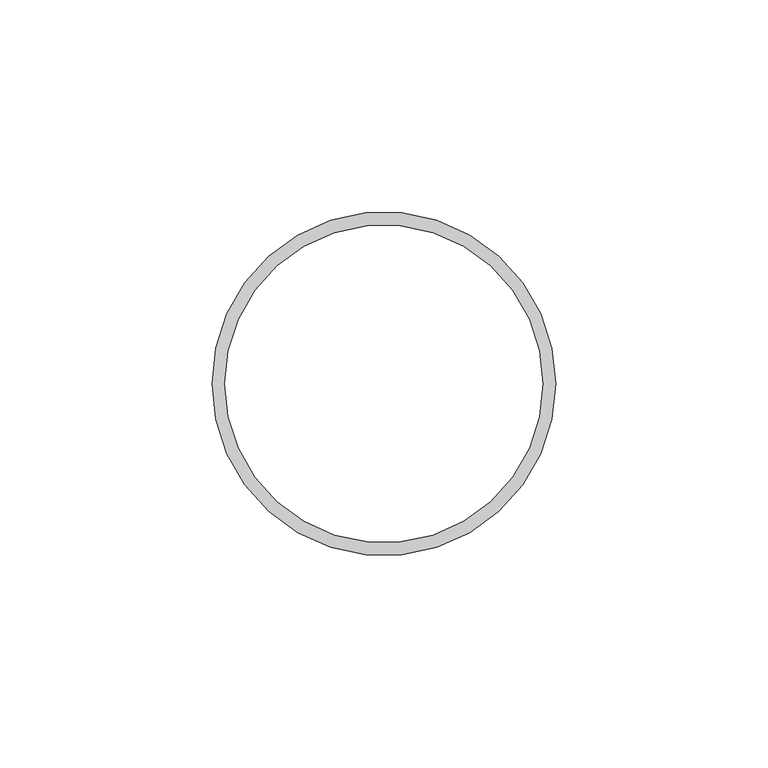
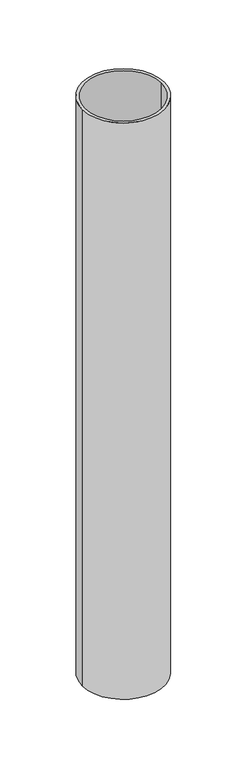
"""IFC4 building model written with IfcOpenShell, lengths in millimetres: beam geometry."""

from ifc_helpers import new_model, si_unit, point, frame, origin, origin_2d, place, context, project, spatial, circle_curve, trimmed, segment, composite_curve, outline, extrude, source, transform, mapped, element, save


def beam_00ddba7a(model_context):
    return source(origin(), model_context, "Body", "SweptSolid", [
        extrude(outline(composite_curve([segment(trimmed(circle_curve(origin_2d(), 40.5), [point((40.5, 0.0))], [point((-40.5, 0.0))], False, "CARTESIAN"), True, "CONTINUOUS"), segment(trimmed(circle_curve(origin_2d(), 40.5), [point((-40.5, 0.0))], [point((40.5, 0.0))], False, "CARTESIAN"), True, "CONTINUOUS")], self_intersect=False), holes=[composite_curve([segment(trimmed(circle_curve(origin_2d(), 37.5), [point((37.5, 0.0))], [point((-37.5, 0.0))], True, "CARTESIAN"), True, "CONTINUOUS"), segment(trimmed(circle_curve(origin_2d(), 37.5), [point((-37.5, 0.0))], [point((37.5, 0.0))], True, "CARTESIAN"), True, "CONTINUOUS")], self_intersect=False)]), frame((0.0, 0.0, -600.0), z_axis=(0.0, 0.0, 1.0), x_axis=(1.0, 0.0, 0.0)), (0.0, 0.0, 1.0), 600.0),
    ])


if __name__ == "__main__":
    model = new_model("IFC4")
    model_context = context("Model", 3, world=origin())
    ifc_project = project(units=[si_unit("LENGTHUNIT", "METRE", prefix="MILLI")], contexts=[model_context])
    site = spatial("IfcSite", under=ifc_project)
    building = spatial("IfcBuilding", under=site)
    placement = place(None, origin())
    beam_shape = beam_00ddba7a(model_context)
    element("IfcBeam", 1, at=placement, inside=building, context=model_context, shape_type="MappedRepresentation", body=[
        mapped(beam_shape, transform((0.0, 0.0, 0.0), x_axis=(1.0, 0.0, 0.0), y_axis=(0.0, 1.0, 0.0), z_axis=(0.0, 0.0, 1.0))),
    ])
    save(model, "model.ifc")
